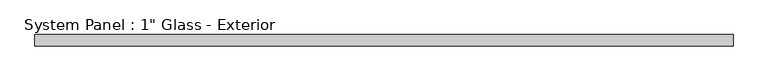
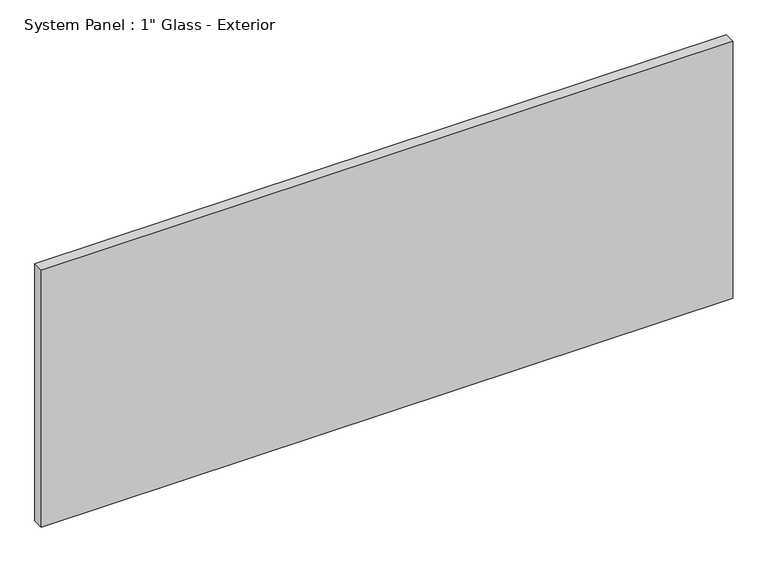
"""IFC4 building model written with IfcOpenShell, lengths in millimetres: plate geometry."""

from ifc_helpers import new_model, si_unit, origin, origin_with_axes, place, context, project, spatial, polyline, outline, extrude, source, transform, mapped, element, save


def plate_18db42be(model_context):
    return source(origin(), model_context, "Body", "SweptSolid", [
        extrude(outline(polyline([(777.0295043, 0.0), (-777.0295043, 0.0), (-777.0295043, 25.4), (777.0295043, 25.4), (777.0295043, 0.0)])), origin_with_axes(), (0.0, 0.0, 1.0), 609.6),
    ])


if __name__ == "__main__":
    model = new_model("IFC4")
    model_context = context("Model", 3, world=origin())
    ifc_project = project(units=[si_unit("LENGTHUNIT", "METRE", prefix="MILLI")], contexts=[model_context])
    site = spatial("IfcSite", under=ifc_project)
    building = spatial("IfcBuilding", under=site)
    placement = place(None, origin())
    plate_shape = plate_18db42be(model_context)
    element("IfcPlate", 1, ObjectType="System Panel : 1\" Glass - Exterior", at=placement, inside=building, context=model_context, shape_type="MappedRepresentation", body=[
        mapped(plate_shape, transform((0.0, 0.0, 0.0), x_axis=(1.0, 0.0, 0.0), y_axis=(0.0, 1.0, 0.0), z_axis=(0.0, 0.0, 1.0))),
    ])
    save(model, "model.ifc")
